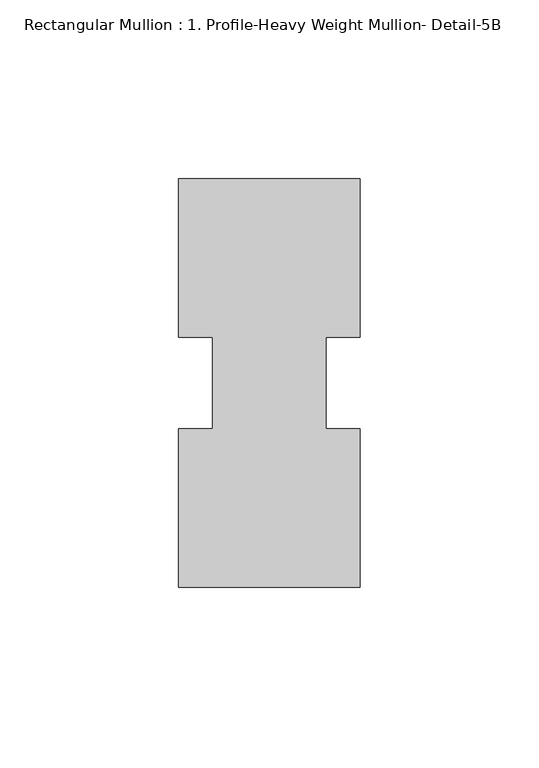
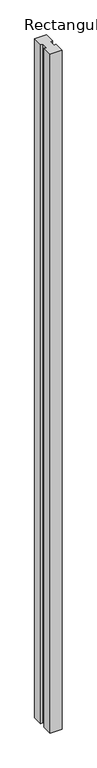
"""IFC4 building model written with IfcOpenShell, lengths in millimetres: member geometry, Rectangular Mullion : 1. Profile-Heavy Weight Mullion- Detail-5B."""

from ifc_helpers import new_model, si_unit, frame, origin, place, context, project, spatial, polyline, outline, extrude, source, transform, mapped, element, save


def rectangular_mullion_1_profile_heavy_weight_mullion_detail_5b_dabf8f15(model_context):
    return source(origin(), model_context, "Body", "SweptSolid", [
        extrude(outline(polyline([(25.4, 57.1500571), (25.4, 12.7550344), (15.875, 12.7550344), (15.875, -12.732664), (25.4, -12.732664), (25.4, -57.1499429), (-25.4, -57.1498413), (-25.4, -12.732664), (-15.875, -12.732664), (-15.875, 12.7550344), (-25.4, 12.7550344), (-25.4, 57.1501587), (25.4, 57.1500571)])), frame((0.0, 0.0, -3048.0), z_axis=(0.0, 0.0, 1.0), x_axis=(1.0, 0.0, 0.0)), (0.0, 0.0, 1.0), 3048.0),
    ])


if __name__ == "__main__":
    model = new_model("IFC4")
    model_context = context("Model", 3, world=origin())
    ifc_project = project(units=[si_unit("LENGTHUNIT", "METRE", prefix="MILLI")], contexts=[model_context])
    site = spatial("IfcSite", under=ifc_project)
    building = spatial("IfcBuilding", under=site)
    placement = place(None, origin())
    rectangular_mullion_1_profile_heavy_weight_mullion_detail_5b_shape = rectangular_mullion_1_profile_heavy_weight_mullion_detail_5b_dabf8f15(model_context)
    element("IfcMember", 1, ObjectType="Rectangular Mullion : 1. Profile-Heavy Weight Mullion- Detail-5B", at=placement, inside=building, context=model_context, shape_type="MappedRepresentation", body=[
        mapped(rectangular_mullion_1_profile_heavy_weight_mullion_detail_5b_shape, transform((0.0, 0.0, 0.0), x_axis=(1.0, 0.0, 0.0), y_axis=(0.0, 1.0, 0.0), z_axis=(0.0, 0.0, 1.0))),
    ])
    save(model, "model.ifc")
